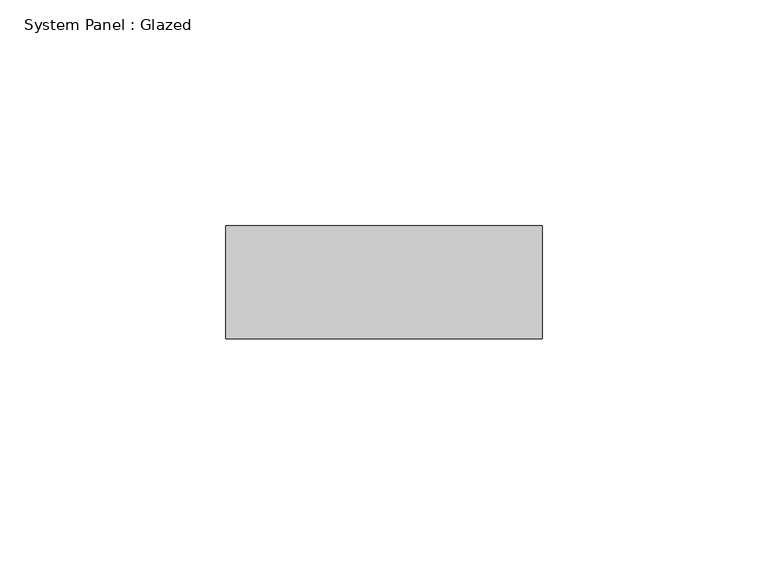
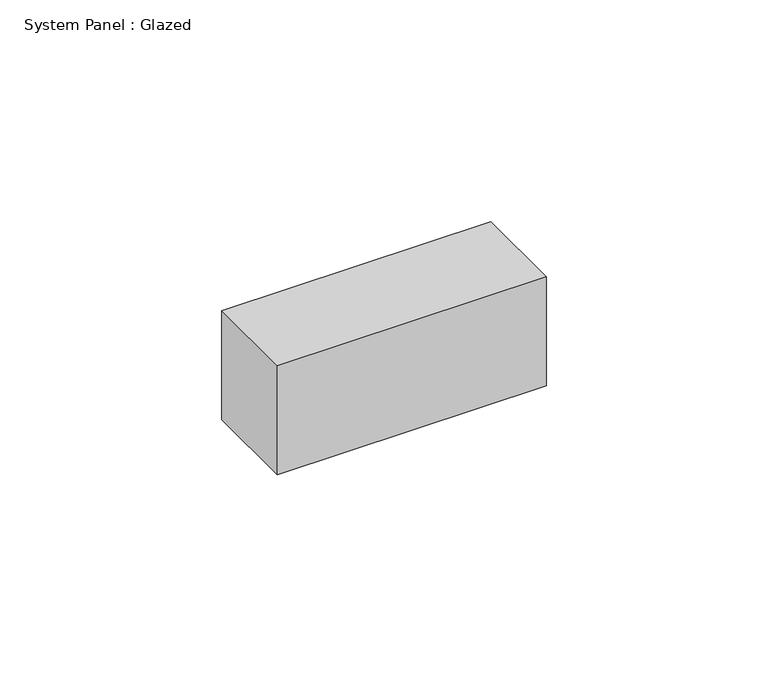
"""IFC4 building model written with IfcOpenShell, lengths in millimetres: plate geometry, System Panel : Glazed."""

from ifc_helpers import new_model, si_unit, origin, origin_with_axes, place, context, project, spatial, polyline, outline, extrude, source, transform, mapped, element, save


def system_panel_glazed_fa200977(model_context):
    return source(origin(), model_context, "Body", "SweptSolid", [
        extrude(outline(polyline([(35.0, 24.5), (-35.0, 24.5), (-35.0, 49.5), (35.0, 49.5), (35.0, 24.5)])), origin_with_axes(), (0.0, 0.0, 1.0), 30.0),
    ])


if __name__ == "__main__":
    model = new_model("IFC4")
    model_context = context("Model", 3, world=origin())
    ifc_project = project(units=[si_unit("LENGTHUNIT", "METRE", prefix="MILLI")], contexts=[model_context])
    site = spatial("IfcSite", under=ifc_project)
    building = spatial("IfcBuilding", under=site)
    placement = place(None, origin())
    system_panel_glazed_shape = system_panel_glazed_fa200977(model_context)
    element("IfcPlate", 1, ObjectType="System Panel : Glazed", at=placement, inside=building, context=model_context, shape_type="MappedRepresentation", body=[
        mapped(system_panel_glazed_shape, transform((0.0, 0.0, 0.0), x_axis=(1.0, 0.0, 0.0), y_axis=(0.0, 1.0, 0.0), z_axis=(0.0, 0.0, 1.0))),
    ])
    save(model, "model.ifc")
